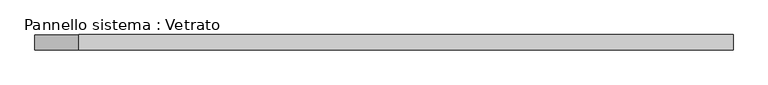
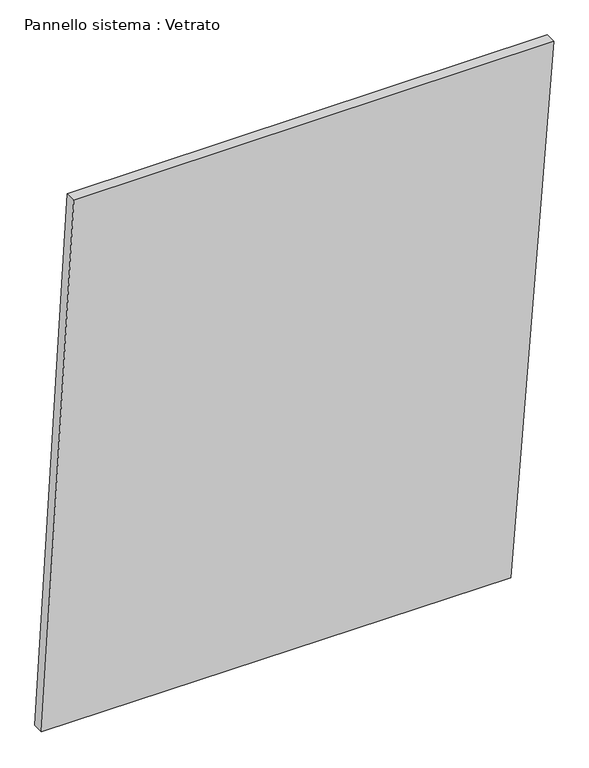
"""IFC4 building model written with IfcOpenShell, lengths in millimetres: plate geometry, Pannello sistema : Vetrato."""

from ifc_helpers import new_model, si_unit, frame, origin, place, context, project, spatial, polyline, outline, extrude, source, transform, mapped, element, save


def pannello_sistema_vetrato_73da1e50(model_context):
    return source(origin(), model_context, "Body", "SweptSolid", [
        extrude(outline(polyline([(3.5568463, -677.9674042), (0.0, 565.0578933), (1461.2971874, 677.9674042), (1461.2971874, -592.5509806), (3.5568463, -677.9674042)])), frame((0.0, -15.0, 0.0), z_axis=(0.0, 1.0, 0.0), x_axis=(0.0, 0.0, 1.0)), (0.0, 0.0, 1.0), 30.0),
    ])


if __name__ == "__main__":
    model = new_model("IFC4")
    model_context = context("Model", 3, world=origin())
    ifc_project = project(units=[si_unit("LENGTHUNIT", "METRE", prefix="MILLI")], contexts=[model_context])
    site = spatial("IfcSite", under=ifc_project)
    building = spatial("IfcBuilding", under=site)
    placement = place(None, origin())
    pannello_sistema_vetrato_shape = pannello_sistema_vetrato_73da1e50(model_context)
    element("IfcPlate", 1, ObjectType="Pannello sistema : Vetrato", at=placement, inside=building, context=model_context, shape_type="MappedRepresentation", body=[
        mapped(pannello_sistema_vetrato_shape, transform((0.0, 0.0, 0.0), x_axis=(1.0, 0.0, 0.0), y_axis=(0.0, 1.0, 0.0), z_axis=(0.0, 0.0, 1.0))),
    ])
    save(model, "model.ifc")
